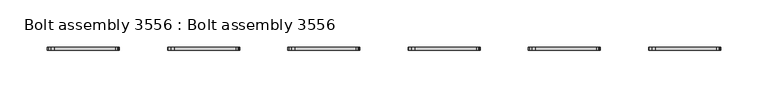
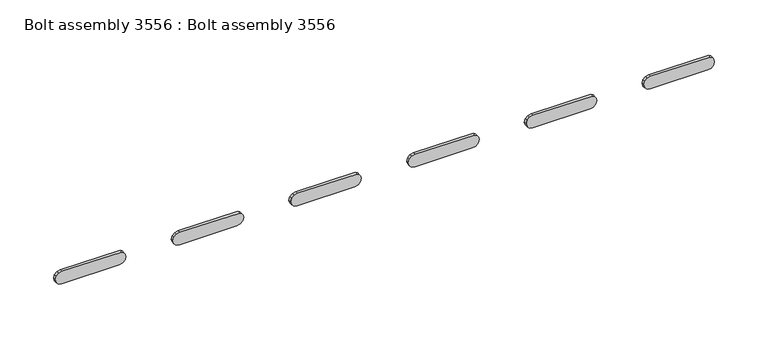
"""IFC4 building model written with IfcOpenShell, lengths in millimetres: proxy geometry, Bolt assembly 3556 : Bolt assembly 3556."""

from ifc_helpers import new_model, si_unit, frame, origin, place, context, project, spatial, polyline, outline, extrude, source, transform, mapped, element, save


def bolt_assembly_3556_bolt_assembly_3556_97d8b96c(model_context):
    return source(origin(), model_context, "Body", "SweptSolid", [
        extrude(outline(polyline([(-70.2907284, 739.2311192), (-67.9727236, 737.6822779), (-66.4238823, 735.364273), (-65.8800015, 670.7200001), (-66.83725, 667.1475001), (-69.4525015, 664.5322486), (-73.0250015, 663.5750001), (-76.5975015, 664.5322486), (-79.212753, 667.1475001), (-80.1700015, 670.7200001), (-80.1700015, 732.6299999), (-79.212753, 736.2024999), (-76.5975015, 738.8177514), (-73.0250015, 739.7749999), (-70.2907284, 739.2311192)])), frame((0.0, 825.4999992, 0.0), z_axis=(0.0, 1.0, 0.0), x_axis=(0.0, 0.0, 1.0)), (0.0, 0.0, 1.0), 3.275),
        extrude(outline(polyline([(-70.2907284, 612.2311192), (-67.9727236, 610.6822779), (-66.4238823, 608.364273), (-65.8800015, 543.7200001), (-66.83725, 540.1475001), (-69.4525015, 537.5322486), (-73.0250015, 536.5750001), (-76.5975015, 537.5322486), (-79.212753, 540.1475001), (-80.1700015, 543.7200001), (-80.1700015, 605.6299999), (-79.212753, 609.2024999), (-76.5975015, 611.8177514), (-73.0250015, 612.7749999), (-70.2907284, 612.2311192)])), frame((0.0, 825.4999992, 0.0), z_axis=(0.0, 1.0, 0.0), x_axis=(0.0, 0.0, 1.0)), (0.0, 0.0, 1.0), 3.275),
        extrude(outline(polyline([(-70.2907284, 485.2311192), (-67.9727236, 483.6822779), (-66.4238823, 481.364273), (-65.8800015, 416.7200001), (-66.83725, 413.1475001), (-69.4525015, 410.5322486), (-73.0250015, 409.5750001), (-76.5975015, 410.5322486), (-79.212753, 413.1475001), (-80.1700015, 416.7200001), (-80.1700015, 478.6299999), (-79.212753, 482.2024999), (-76.5975015, 484.8177514), (-73.0250015, 485.7749999), (-70.2907284, 485.2311192)])), frame((0.0, 825.4999992, 0.0), z_axis=(0.0, 1.0, 0.0), x_axis=(0.0, 0.0, 1.0)), (0.0, 0.0, 1.0), 3.275),
        extrude(outline(polyline([(-70.2907284, 358.2311192), (-67.9727236, 356.6822779), (-66.4238823, 354.364273), (-65.8800015, 289.7200001), (-66.83725, 286.1475001), (-69.4525015, 283.5322486), (-73.0250015, 282.5750001), (-76.5975015, 283.5322486), (-79.212753, 286.1475001), (-80.1700015, 289.7200001), (-80.1700015, 351.6299999), (-79.212753, 355.2024999), (-76.5975015, 357.8177514), (-73.0250015, 358.7749999), (-70.2907284, 358.2311192)])), frame((0.0, 825.4999992, 0.0), z_axis=(0.0, 1.0, 0.0), x_axis=(0.0, 0.0, 1.0)), (0.0, 0.0, 1.0), 3.275),
        extrude(outline(polyline([(-70.2907284, 231.2311192), (-67.9727236, 229.6822779), (-66.4238823, 227.364273), (-65.8800015, 162.7200001), (-66.83725, 159.1475001), (-69.4525015, 156.5322486), (-73.0250015, 155.5750001), (-76.5975015, 156.5322486), (-79.212753, 159.1475001), (-80.1700015, 162.7200001), (-80.1700015, 224.6299999), (-79.212753, 228.2024999), (-76.5975015, 230.8177514), (-73.0250015, 231.7749999), (-70.2907284, 231.2311192)])), frame((0.0, 825.4999992, 0.0), z_axis=(0.0, 1.0, 0.0), x_axis=(0.0, 0.0, 1.0)), (0.0, 0.0, 1.0), 3.275),
        extrude(outline(polyline([(-70.2907284, 104.2311192), (-67.9727236, 102.6822779), (-66.4238823, 100.364273), (-65.8800015, 35.7200001), (-66.83725, 32.1475001), (-69.4525015, 29.5322486), (-73.0250015, 28.5750001), (-76.5975015, 29.5322486), (-79.212753, 32.1475001), (-80.1700015, 35.7200001), (-80.1700015, 97.6299999), (-79.212753, 101.2024999), (-76.5975015, 103.8177514), (-73.0250015, 104.7749999), (-70.2907284, 104.2311192)])), frame((0.0, 825.4999992, 0.0), z_axis=(0.0, 1.0, 0.0), x_axis=(0.0, 0.0, 1.0)), (0.0, 0.0, 1.0), 3.275),
    ])


if __name__ == "__main__":
    model = new_model("IFC4")
    model_context = context("Model", 3, world=origin())
    ifc_project = project(units=[si_unit("LENGTHUNIT", "METRE", prefix="MILLI")], contexts=[model_context])
    site = spatial("IfcSite", under=ifc_project)
    building = spatial("IfcBuilding", under=site)
    placement = place(None, origin())
    bolt_assembly_3556_bolt_assembly_3556_shape = bolt_assembly_3556_bolt_assembly_3556_97d8b96c(model_context)
    element("IfcBuildingElementProxy", 1, Name="Bolt assembly 3556 : Bolt assembly 3556", ObjectType="Bolt assembly 3556 : Bolt assembly 3556", at=placement, inside=building, context=model_context, shape_type="MappedRepresentation", body=[
        mapped(bolt_assembly_3556_bolt_assembly_3556_shape, transform((0.0, 0.0, 0.0), x_axis=(1.0, 0.0, 0.0), y_axis=(0.0, 1.0, 0.0), z_axis=(0.0, 0.0, 1.0))),
    ])
    save(model, "model.ifc")
